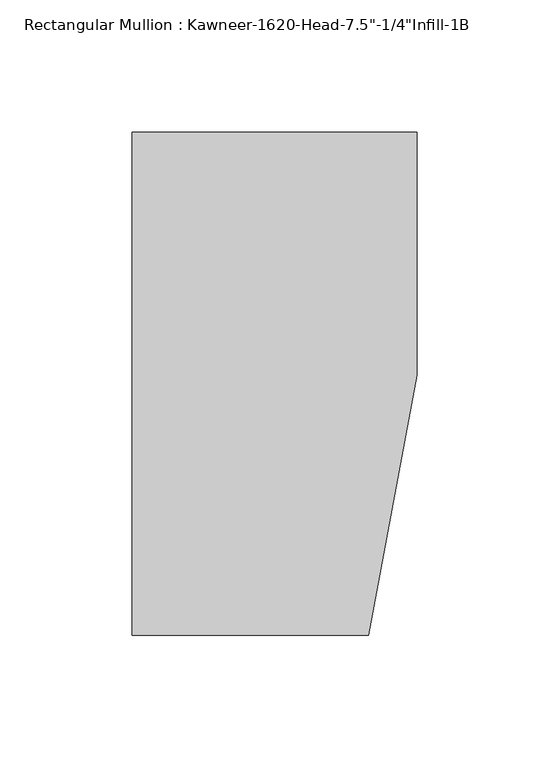
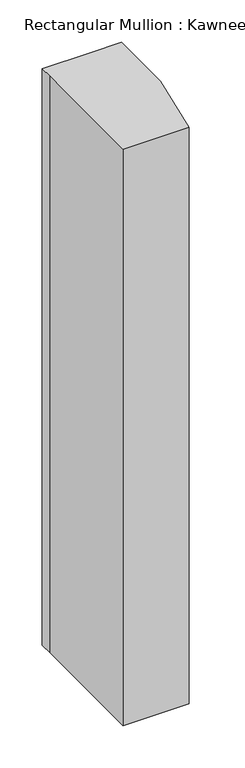
"""IFC4 building model written with IfcOpenShell, lengths in millimetres: member geometry."""

from ifc_helpers import new_model, si_unit, frame, origin, place, context, project, spatial, polyline, outline, extrude, source, transform, mapped, element, save


def member_468aea97(model_context):
    return source(origin(), model_context, "Body", "SweptSolid", [
        extrude(outline(polyline([(-107.95, 10.3845466), (-107.95, 28.575), (-44.1519366, 28.575), (0.0, 28.575), (0.0, -63.5), (-18.3538271, -161.925), (-107.95, -161.925), (-107.95, 10.3845466)])), frame((0.0, 0.0, -828.675), z_axis=(0.0, 0.0, 1.0), x_axis=(1.0, 0.0, 0.0)), (0.0, 0.0, 1.0), 828.675),
    ])


if __name__ == "__main__":
    model = new_model("IFC4")
    model_context = context("Model", 3, world=origin())
    ifc_project = project(units=[si_unit("LENGTHUNIT", "METRE", prefix="MILLI")], contexts=[model_context])
    site = spatial("IfcSite", under=ifc_project)
    building = spatial("IfcBuilding", under=site)
    placement = place(None, origin())
    member_shape = member_468aea97(model_context)
    element("IfcMember", 1, ObjectType="Rectangular Mullion : Kawneer-1620-Head-7.5\"-1/4\"Infill-1B", at=placement, inside=building, context=model_context, shape_type="MappedRepresentation", body=[
        mapped(member_shape, transform((0.0, 0.0, 0.0), x_axis=(1.0, 0.0, 0.0), y_axis=(0.0, 1.0, 0.0), z_axis=(0.0, 0.0, 1.0))),
    ])
    save(model, "model.ifc")
